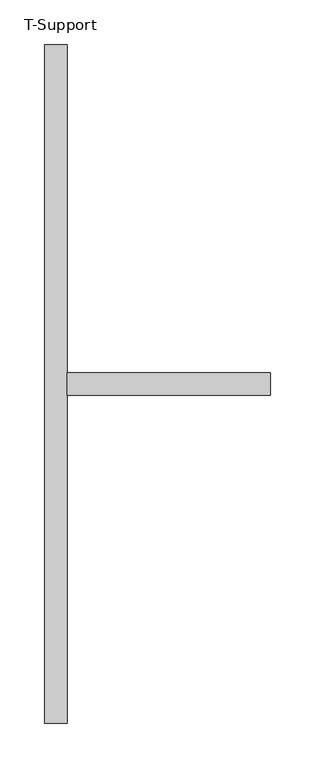
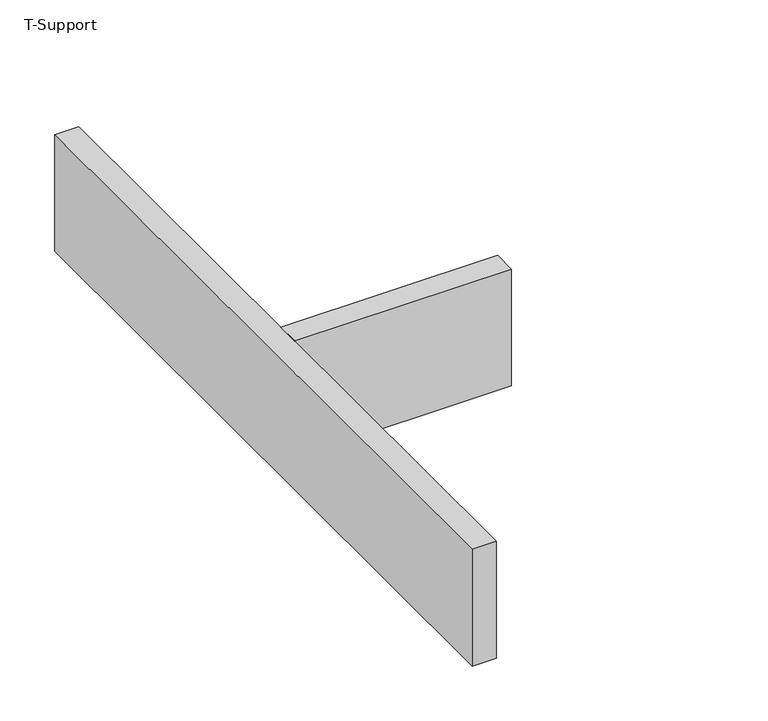
"""IFC4 building model written with IfcOpenShell, lengths in millimetres: furniture geometry, T-Support."""

from ifc_helpers import new_model, si_unit, origin, origin_with_axes, place, context, project, spatial, polyline, outline, extrude, source, transform, mapped, element, save


def t_support_9da40f64(model_context):
    return source(origin(), model_context, "Body", "SweptSolid", [
        extrude(outline(polyline([(-254.3251636, 565.8773285), (-254.3251636, 591.2773285), (-25.7251636, 591.2773285), (-25.7251636, 565.8773285), (-254.3251636, 565.8773285)])), origin_with_axes(), (0.0, 0.0, 1.0), 130.175),
        extrude(outline(polyline([(-279.7251636, 959.5773285), (-254.3251636, 959.5773285), (-254.3251636, 197.5773285), (-279.7251636, 197.5773285), (-279.7251636, 959.5773285)])), origin_with_axes(), (0.0, 0.0, 1.0), 130.175),
    ])


if __name__ == "__main__":
    model = new_model("IFC4")
    model_context = context("Model", 3, world=origin())
    ifc_project = project(units=[si_unit("LENGTHUNIT", "METRE", prefix="MILLI")], contexts=[model_context])
    site = spatial("IfcSite", under=ifc_project)
    building = spatial("IfcBuilding", under=site)
    placement = place(None, origin())
    t_support_shape = t_support_9da40f64(model_context)
    element("IfcFurniture", 1, ObjectType="T-Support", at=placement, inside=building, context=model_context, shape_type="MappedRepresentation", body=[
        mapped(t_support_shape, transform((0.0, 0.0, 0.0), x_axis=(1.0, 0.0, 0.0), y_axis=(0.0, 1.0, 0.0), z_axis=(0.0, 0.0, 1.0))),
    ])
    save(model, "model.ifc")
